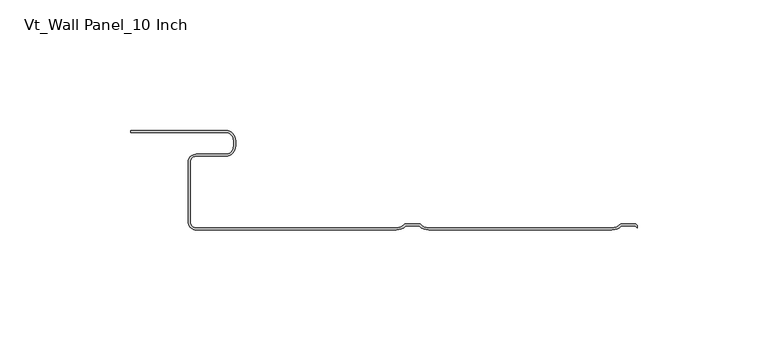
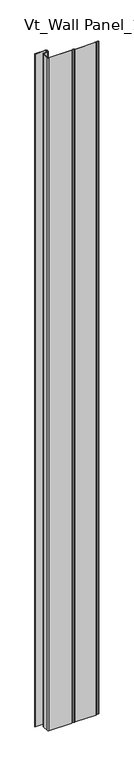
"""IFC4 building model written with IfcOpenShell, lengths in millimetres: plate geometry, Vt_Wall Panel_10 Inch."""

from ifc_helpers import new_model, si_unit, point, frame_2d, origin, origin_with_axes, place, context, project, spatial, polyline, circle_curve, trimmed, segment, composite_curve, outline, extrude, source, transform, mapped, element, save


def vt_wall_panel_10_inch_8fd6d1f4(model_context):
    return source(origin(), model_context, "Body", "SweptSolid", [
        extrude(outline(composite_curve([segment(trimmed(circle_curve(frame_2d((6.0774961, -32.8147418)), 5.1852582), [point((6.0774961, -38.0))], [point((2.4748324, -36.5440469))], False, "CARTESIAN"), True, "CONTINUOUS"), segment(polyline([(2.4748324, -36.5440469), (-2.7105739, -36.5440469)]), True, "CONTINUOUS"), segment(trimmed(circle_curve(frame_2d((-6.3132376, -32.8147418)), 5.1852582), [point((-2.7105739, -36.5440469))], [point((-6.3132376, -38.0))], False, "CARTESIAN"), True, "CONTINUOUS"), segment(polyline([(-6.3132376, -38.0), (-82.745531, -38.0)]), True, "CONTINUOUS"), segment(trimmed(circle_curve(frame_2d((-82.745531, -34.7869903)), 3.2130097), [point((-82.745531, -38.0))], [point((-85.9585407, -34.7869903))], False, "CARTESIAN"), True, "CONTINUOUS"), segment(polyline([(-85.9585407, -34.7869903), (-85.9585407, -12.0917985)]), True, "CONTINUOUS"), segment(trimmed(circle_curve(frame_2d((-82.8607681, -12.0917985)), 3.0977725), [point((-85.9585407, -12.0917985))], [point((-82.8607681, -8.9940259))], False, "CARTESIAN"), True, "CONTINUOUS"), segment(polyline([(-82.8607681, -8.9940259), (-71.6090388, -8.9940259)]), True, "CONTINUOUS"), segment(trimmed(circle_curve(frame_2d((-71.6090388, -5.8962534)), 3.0977725), [point((-71.6090388, -8.9940259))], [point((-68.5112662, -5.8962534))], True, "CARTESIAN"), True, "CONTINUOUS"), segment(polyline([(-68.5112662, -5.8962534), (-68.5112662, -3.8033983)]), True, "CONTINUOUS"), segment(trimmed(circle_curve(frame_2d((-71.6090388, -3.8033983)), 3.0977725), [point((-68.5112662, -3.8033983))], [point((-71.6090388, -0.7056258))], True, "CARTESIAN"), True, "CONTINUOUS"), segment(polyline([(-71.6090388, -0.7056258), (-107.8926289, -0.7056258), (-107.8926289, 0.0749154), (-71.6090388, 0.0749154)]), True, "CONTINUOUS"), segment(trimmed(circle_curve(frame_2d((-71.6090388, -3.8033983)), 3.8783136), [point((-71.6090388, 0.0749154))], [point((-67.7307251, -3.8033983))], False, "CARTESIAN"), True, "CONTINUOUS"), segment(polyline([(-67.7307251, -3.8033983), (-67.7307251, -5.8962534)]), True, "CONTINUOUS"), segment(trimmed(circle_curve(frame_2d((-71.6090388, -5.8962534)), 3.8783136), [point((-67.7307251, -5.8962534))], [point((-71.6090388, -9.774567))], False, "CARTESIAN"), True, "CONTINUOUS"), segment(polyline([(-71.6090388, -9.774567), (-82.8607681, -9.774567)]), True, "CONTINUOUS"), segment(trimmed(circle_curve(frame_2d((-82.8607681, -12.0917985)), 2.3172314), [point((-82.8607681, -9.774567))], [point((-85.1779996, -12.0917985))], True, "CARTESIAN"), True, "CONTINUOUS"), segment(polyline([(-85.1779996, -12.0917985), (-85.1779996, -34.7869903)]), True, "CONTINUOUS"), segment(trimmed(circle_curve(frame_2d((-82.745531, -34.7869903)), 2.4324686), [point((-85.1779996, -34.7869903))], [point((-82.745531, -37.2194589))], True, "CARTESIAN"), True, "CONTINUOUS"), segment(polyline([(-82.745531, -37.2194589), (-6.3132376, -37.2194589)]), True, "CONTINUOUS"), segment(trimmed(circle_curve(frame_2d((-6.3132376, -32.8147418)), 4.4047171), [point((-6.3132376, -37.2194589))], [point((-3.0411857, -35.7635058))], True, "CARTESIAN"), True, "CONTINUOUS"), segment(polyline([(-3.0411857, -35.7635058), (2.8054442, -35.7635058)]), True, "CONTINUOUS"), segment(trimmed(circle_curve(frame_2d((6.0774961, -32.8147418)), 4.4047171), [point((2.8054442, -35.7635058))], [point((6.0774961, -37.2194589))], True, "CARTESIAN"), True, "CONTINUOUS"), segment(polyline([(6.0774961, -37.2194589), (76.2114226, -37.2194589)]), True, "CONTINUOUS"), segment(trimmed(circle_curve(frame_2d((76.2114226, -32.8147418)), 4.4047171), [point((76.2114226, -37.2194589))], [point((79.4834745, -35.7635058))], True, "CARTESIAN"), True, "CONTINUOUS"), segment(polyline([(79.4834745, -35.7635058), (85.3301044, -35.7635058)]), True, "CONTINUOUS"), segment(trimmed(circle_curve(frame_2d((88.6021563, -32.8147418)), 4.4047171), [point((85.3301044, -35.7635058))], [point((85.9042607, -36.2965361))], True, "CARTESIAN"), True, "CONTINUOUS"), segment(polyline([(85.9042607, -36.2965361), (85.9042607, -37.2428635)]), True, "CONTINUOUS"), segment(trimmed(circle_curve(frame_2d((88.6021563, -32.8147418)), 5.1852582), [point((85.9042607, -37.2428635))], [point((84.9994926, -36.5440469))], False, "CARTESIAN"), True, "CONTINUOUS"), segment(polyline([(84.9994926, -36.5440469), (79.8140863, -36.5440469)]), True, "CONTINUOUS"), segment(trimmed(circle_curve(frame_2d((76.2114226, -32.8147418)), 5.1852582), [point((79.8140863, -36.5440469))], [point((76.2114226, -38.0))], False, "CARTESIAN"), True, "CONTINUOUS"), segment(polyline([(76.2114226, -38.0), (6.0774961, -38.0)]), True, "CONTINUOUS")], self_intersect=False)), origin_with_axes(), (0.0, 0.0, 1.0), 2400.0),
    ])


if __name__ == "__main__":
    model = new_model("IFC4")
    model_context = context("Model", 3, world=origin())
    ifc_project = project(units=[si_unit("LENGTHUNIT", "METRE", prefix="MILLI")], contexts=[model_context])
    site = spatial("IfcSite", under=ifc_project)
    building = spatial("IfcBuilding", under=site)
    placement = place(None, origin())
    vt_wall_panel_10_inch_shape = vt_wall_panel_10_inch_8fd6d1f4(model_context)
    element("IfcPlate", 1, ObjectType="Vt_Wall Panel_10 Inch", at=placement, inside=building, context=model_context, shape_type="MappedRepresentation", body=[
        mapped(vt_wall_panel_10_inch_shape, transform((0.0, 0.0, 0.0), x_axis=(1.0, 0.0, 0.0), y_axis=(0.0, 1.0, 0.0), z_axis=(0.0, 0.0, 1.0))),
    ])
    save(model, "model.ifc")
